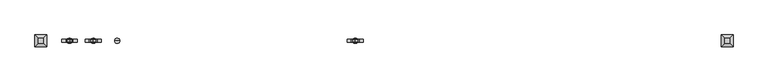
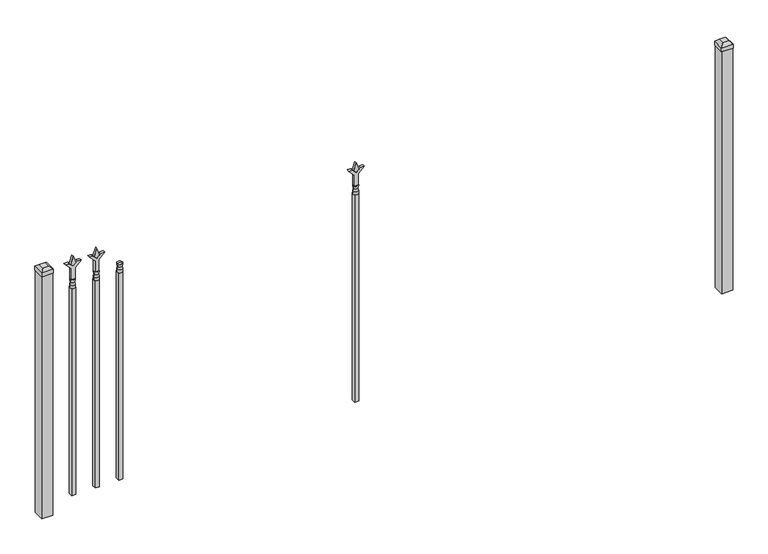
"""IFC4 building model written with IfcOpenShell, lengths in millimetres: railing geometry."""

from ifc_helpers import new_model, si_unit, frame, origin, origin_with_axes, place, context, project, spatial, polyline, circle_curve, outline, extrude, faceted_brep, source, transform, mapped, element, save
from ifc_brep_helpers import plane_surface, cylinder_surface, revolved_surface, advanced_brep


def railing_9b1f82ed(model_context):
    return source(origin(), model_context, "Body", "SolidModel", [
        advanced_brep(
        [(-79271.1035036, -3073.6570174, 1079.5), (-79294.9160036, -3073.6570174, 1079.5), (-79294.9160036, -3073.6570174, 1066.8), (-79271.1035036, -3073.6570174, 1066.8), (-79273.3088355, -3073.6570174, 1092.0070585), (-79292.7106718, -3073.6570174, 1092.0070585), (-79271.1035036, -3073.6570174, 1108.075), (-79294.9160036, -3073.6570174, 1108.075), (-79283.0097536, -3073.6570174, 1108.075), (-79283.0097536, -3073.6570174, 1066.8)],
        [
            (0, 1, circle_curve(frame((-79283.0097536, -3073.6570174, 1079.5), z_axis=(0.0, 0.0, -1.0), x_axis=(-1.0, 0.0, 0.0)), 11.90625)),
            (1, 2),
            (2, 3, circle_curve(frame((-79283.0097536, -3073.6570174, 1066.8), z_axis=(0.0, 0.0, 1.0), x_axis=(-1.0, 0.0, 0.0)), 11.90625)),
            (3, 0),
            (1, 0, circle_curve(frame((-79283.0097536, -3073.6570174, 1079.5), z_axis=(0.0, 0.0, -1.0), x_axis=(-1.0, 0.0, 0.0)), 11.90625)),
            (3, 2, circle_curve(frame((-79283.0097536, -3073.6570174, 1066.8), z_axis=(0.0, 0.0, 1.0), x_axis=(-1.0, 0.0, 0.0)), 11.90625)),
            (4, 5, circle_curve(frame((-79283.0097536, -3073.6570174, 1092.0070585), z_axis=(0.0, 0.0, -1.0), x_axis=(-1.0, 0.0, 0.0)), 9.7009181)),
            (5, 1),
            (0, 4),
            (5, 4, circle_curve(frame((-79283.0097536, -3073.6570174, 1092.0070585), z_axis=(0.0, 0.0, -1.0), x_axis=(-1.0, 0.0, 0.0)), 9.7009181)),
            (6, 7, circle_curve(frame((-79283.0097536, -3073.6570174, 1108.075), z_axis=(0.0, 0.0, -1.0), x_axis=(-1.0, 0.0, 0.0)), 11.90625)),
            (7, 5),
            (4, 6),
            (7, 6, circle_curve(frame((-79283.0097536, -3073.6570174, 1108.075), z_axis=(0.0, 0.0, -1.0), x_axis=(-1.0, 0.0, 0.0)), 11.90625)),
            (8, 7),
            (6, 8),
            (2, 9),
            (9, 3),
        ],
        [
            cylinder_surface(frame((-79283.0097536, -3073.6570174, 1066.8), z_axis=(0.0, 0.0, 1.0), x_axis=(-1.0, 0.0, 0.0)), 11.90625),
            revolved_surface(polyline([(-79294.9160036, -3073.6570174, 1079.5), (-79292.7106718, -3073.6570174, 1092.0070585)]), (-79283.0097536, -3073.6570174, 1066.8), (0.0, 0.0, 1.0)),
            revolved_surface(polyline([(-79292.7106718, -3073.6570174, 1092.0070585), (-79294.9160036, -3073.6570174, 1108.075)]), (-79283.0097536, -3073.6570174, 1066.8), (0.0, 0.0, 1.0)),
            plane_surface(frame((-79283.0097536, -3073.6570174, 1108.075), z_axis=(0.0, 0.0, 1.0), x_axis=(-1.0, 0.0, 0.0))),
            plane_surface(frame((-79283.0097536, -3073.6570174, 1066.8), z_axis=(0.0, 0.0, -1.0), x_axis=(-1.0, 0.0, 0.0))),
        ],
        [
            (0, [[1, 2, 3, 4]]),
            (0, [[5, -4, 6, -2]]),
            (1, [[7, 8, -1, 9]]),
            (1, [[10, -9, -5, -8]]),
            (2, [[11, 12, -7, 13]]),
            (2, [[14, -13, -10, -12]]),
            (3, [[15, -11, 16]]),
            (3, [[-16, -14, -15]]),
            (4, [[-3, 17, 18]]),
            (4, [[-6, -18, -17]]),
        ],
    ),
        extrude(outline(polyline([(-79292.5347536, -3064.1320174), (-79273.4847536, -3064.1320174), (-79273.4847536, -3083.1820174), (-79292.5347536, -3083.1820174), (-79292.5347536, -3064.1320174)])), frame((0.0, 0.0, 50.8), z_axis=(0.0, 0.0, 1.0), x_axis=(1.0, 0.0, 0.0)), (0.0, 0.0, 1.0), 1016.0),
        extrude(outline(polyline([(1183.48125, -79380.3764203), (1219.2, -79392.2826703), (1183.48125, -79404.1889203), (1171.575, -79392.2826703), (1183.48125, -79380.3764203)])), frame((0.0, -3078.4195174, 0.0), z_axis=(0.0, 1.0, 0.0), x_axis=(0.0, 0.0, 1.0)), (0.0, 0.0, 1.0), 9.525),
        extrude(outline(polyline([(1108.075, -79383.5514203), (1162.3457378, -79383.5514203), (1189.5355122, -79356.3616458), (1189.5355122, -79374.3221581), (1171.575, -79392.2826703), (1189.5355122, -79410.2431825), (1189.5355122, -79428.2036948), (1162.3457378, -79401.0139203), (1108.075, -79401.0139203), (1108.075, -79383.5514203)])), frame((0.0, -3080.0070174, 0.0), z_axis=(0.0, 1.0, 0.0), x_axis=(0.0, 0.0, 1.0)), (0.0, 0.0, 1.0), 12.7),
        advanced_brep(
        [(-79380.3764203, -3073.6570174, 1079.5), (-79404.1889203, -3073.6570174, 1079.5), (-79404.1889203, -3073.6570174, 1066.8), (-79380.3764203, -3073.6570174, 1066.8), (-79382.5817522, -3073.6570174, 1092.0070585), (-79401.9835884, -3073.6570174, 1092.0070585), (-79380.3764203, -3073.6570174, 1108.075), (-79404.1889203, -3073.6570174, 1108.075), (-79392.2826703, -3073.6570174, 1108.075), (-79392.2826703, -3073.6570174, 1066.8)],
        [
            (0, 1, circle_curve(frame((-79392.2826703, -3073.6570174, 1079.5), z_axis=(0.0, 0.0, -1.0), x_axis=(-1.0, 0.0, 0.0)), 11.90625)),
            (1, 2),
            (2, 3, circle_curve(frame((-79392.2826703, -3073.6570174, 1066.8), z_axis=(0.0, 0.0, 1.0), x_axis=(-1.0, 0.0, 0.0)), 11.90625)),
            (3, 0),
            (1, 0, circle_curve(frame((-79392.2826703, -3073.6570174, 1079.5), z_axis=(0.0, 0.0, -1.0), x_axis=(-1.0, 0.0, 0.0)), 11.90625)),
            (3, 2, circle_curve(frame((-79392.2826703, -3073.6570174, 1066.8), z_axis=(0.0, 0.0, 1.0), x_axis=(-1.0, 0.0, 0.0)), 11.90625)),
            (4, 5, circle_curve(frame((-79392.2826703, -3073.6570174, 1092.0070585), z_axis=(0.0, 0.0, -1.0), x_axis=(-1.0, 0.0, 0.0)), 9.7009181)),
            (5, 1),
            (0, 4),
            (5, 4, circle_curve(frame((-79392.2826703, -3073.6570174, 1092.0070585), z_axis=(0.0, 0.0, -1.0), x_axis=(-1.0, 0.0, 0.0)), 9.7009181)),
            (6, 7, circle_curve(frame((-79392.2826703, -3073.6570174, 1108.075), z_axis=(0.0, 0.0, -1.0), x_axis=(-1.0, 0.0, 0.0)), 11.90625)),
            (7, 5),
            (4, 6),
            (7, 6, circle_curve(frame((-79392.2826703, -3073.6570174, 1108.075), z_axis=(0.0, 0.0, -1.0), x_axis=(-1.0, 0.0, 0.0)), 11.90625)),
            (8, 7),
            (6, 8),
            (2, 9),
            (9, 3),
        ],
        [
            cylinder_surface(frame((-79392.2826703, -3073.6570174, 1066.8), z_axis=(0.0, 0.0, 1.0), x_axis=(-1.0, 0.0, 0.0)), 11.90625),
            revolved_surface(polyline([(-79404.1889203, -3073.6570174, 1079.5), (-79401.9835884, -3073.6570174, 1092.0070585)]), (-79392.2826703, -3073.6570174, 1066.8), (0.0, 0.0, 1.0)),
            revolved_surface(polyline([(-79401.9835884, -3073.6570174, 1092.0070585), (-79404.1889203, -3073.6570174, 1108.075)]), (-79392.2826703, -3073.6570174, 1066.8), (0.0, 0.0, 1.0)),
            plane_surface(frame((-79392.2826703, -3073.6570174, 1108.075), z_axis=(0.0, 0.0, 1.0), x_axis=(-1.0, 0.0, 0.0))),
            plane_surface(frame((-79392.2826703, -3073.6570174, 1066.8), z_axis=(0.0, 0.0, -1.0), x_axis=(-1.0, 0.0, 0.0))),
        ],
        [
            (0, [[1, 2, 3, 4]]),
            (0, [[5, -4, 6, -2]]),
            (1, [[7, 8, -1, 9]]),
            (1, [[10, -9, -5, -8]]),
            (2, [[11, 12, -7, 13]]),
            (2, [[14, -13, -10, -12]]),
            (3, [[15, -11, 16]]),
            (3, [[-16, -14, -15]]),
            (4, [[-3, 17, 18]]),
            (4, [[-6, -18, -17]]),
        ],
    ),
        extrude(outline(polyline([(-79401.8076703, -3064.1320174), (-79382.7576703, -3064.1320174), (-79382.7576703, -3083.1820174), (-79401.8076703, -3083.1820174), (-79401.8076703, -3064.1320174)])), frame((0.0, 0.0, 50.8), z_axis=(0.0, 0.0, 1.0), x_axis=(1.0, 0.0, 0.0)), (0.0, 0.0, 1.0), 1016.0),
        extrude(outline(polyline([(1183.48125, -78178.374337), (1219.2, -78190.280587), (1183.48125, -78202.186837), (1171.575, -78190.280587), (1183.48125, -78178.374337)])), frame((0.0, -3078.4195174, 0.0), z_axis=(0.0, 1.0, 0.0), x_axis=(0.0, 0.0, 1.0)), (0.0, 0.0, 1.0), 9.525),
        extrude(outline(polyline([(1108.075, -78181.549337), (1162.3457378, -78181.549337), (1189.5355122, -78154.3595625), (1189.5355122, -78172.3200747), (1171.575, -78190.280587), (1189.5355122, -78208.2410992), (1189.5355122, -78226.2016114), (1162.3457378, -78199.011837), (1108.075, -78199.011837), (1108.075, -78181.549337)])), frame((0.0, -3080.0070174, 0.0), z_axis=(0.0, 1.0, 0.0), x_axis=(0.0, 0.0, 1.0)), (0.0, 0.0, 1.0), 12.7),
        advanced_brep(
        [(-78178.374337, -3073.6570174, 1079.5), (-78202.186837, -3073.6570174, 1079.5), (-78202.186837, -3073.6570174, 1066.8), (-78178.374337, -3073.6570174, 1066.8), (-78180.5796688, -3073.6570174, 1092.0070585), (-78199.9815051, -3073.6570174, 1092.0070585), (-78178.374337, -3073.6570174, 1108.075), (-78202.186837, -3073.6570174, 1108.075), (-78190.280587, -3073.6570174, 1108.075), (-78190.280587, -3073.6570174, 1066.8)],
        [
            (0, 1, circle_curve(frame((-78190.280587, -3073.6570174, 1079.5), z_axis=(0.0, 0.0, -1.0), x_axis=(-1.0, 0.0, 0.0)), 11.90625)),
            (1, 2),
            (2, 3, circle_curve(frame((-78190.280587, -3073.6570174, 1066.8), z_axis=(0.0, 0.0, 1.0), x_axis=(-1.0, 0.0, 0.0)), 11.90625)),
            (3, 0),
            (1, 0, circle_curve(frame((-78190.280587, -3073.6570174, 1079.5), z_axis=(0.0, 0.0, -1.0), x_axis=(-1.0, 0.0, 0.0)), 11.90625)),
            (3, 2, circle_curve(frame((-78190.280587, -3073.6570174, 1066.8), z_axis=(0.0, 0.0, 1.0), x_axis=(-1.0, 0.0, 0.0)), 11.90625)),
            (4, 5, circle_curve(frame((-78190.280587, -3073.6570174, 1092.0070585), z_axis=(0.0, 0.0, -1.0), x_axis=(-1.0, 0.0, 0.0)), 9.7009181)),
            (5, 1),
            (0, 4),
            (5, 4, circle_curve(frame((-78190.280587, -3073.6570174, 1092.0070585), z_axis=(0.0, 0.0, -1.0), x_axis=(-1.0, 0.0, 0.0)), 9.7009181)),
            (6, 7, circle_curve(frame((-78190.280587, -3073.6570174, 1108.075), z_axis=(0.0, 0.0, -1.0), x_axis=(-1.0, 0.0, 0.0)), 11.90625)),
            (7, 5),
            (4, 6),
            (7, 6, circle_curve(frame((-78190.280587, -3073.6570174, 1108.075), z_axis=(0.0, 0.0, -1.0), x_axis=(-1.0, 0.0, 0.0)), 11.90625)),
            (8, 7),
            (6, 8),
            (2, 9),
            (9, 3),
        ],
        [
            cylinder_surface(frame((-78190.280587, -3073.6570174, 1066.8), z_axis=(0.0, 0.0, 1.0), x_axis=(-1.0, 0.0, 0.0)), 11.90625),
            revolved_surface(polyline([(-78202.186837, -3073.6570174, 1079.5), (-78199.9815051, -3073.6570174, 1092.0070585)]), (-78190.280587, -3073.6570174, 1066.8), (0.0, 0.0, 1.0)),
            revolved_surface(polyline([(-78199.9815051, -3073.6570174, 1092.0070585), (-78202.186837, -3073.6570174, 1108.075)]), (-78190.280587, -3073.6570174, 1066.8), (0.0, 0.0, 1.0)),
            plane_surface(frame((-78190.280587, -3073.6570174, 1108.075), z_axis=(0.0, 0.0, 1.0), x_axis=(-1.0, 0.0, 0.0))),
            plane_surface(frame((-78190.280587, -3073.6570174, 1066.8), z_axis=(0.0, 0.0, -1.0), x_axis=(-1.0, 0.0, 0.0))),
        ],
        [
            (0, [[1, 2, 3, 4]]),
            (0, [[5, -4, 6, -2]]),
            (1, [[7, 8, -1, 9]]),
            (1, [[10, -9, -5, -8]]),
            (2, [[11, 12, -7, 13]]),
            (2, [[14, -13, -10, -12]]),
            (3, [[15, -11, 16]]),
            (3, [[-16, -14, -15]]),
            (4, [[-3, 17, 18]]),
            (4, [[-6, -18, -17]]),
        ],
    ),
        extrude(outline(polyline([(-78199.805587, -3064.1320174), (-78180.755587, -3064.1320174), (-78180.755587, -3083.1820174), (-78199.805587, -3083.1820174), (-78199.805587, -3064.1320174)])), frame((0.0, 0.0, 50.8), z_axis=(0.0, 0.0, 1.0), x_axis=(1.0, 0.0, 0.0)), (0.0, 0.0, 1.0), 1016.0),
        extrude(outline(polyline([(1183.48125, -79489.649337), (1219.2, -79501.555587), (1183.48125, -79513.461837), (1171.575, -79501.555587), (1183.48125, -79489.649337)])), frame((0.0, -3078.4195174, 0.0), z_axis=(0.0, 1.0, 0.0), x_axis=(0.0, 0.0, 1.0)), (0.0, 0.0, 1.0), 9.525),
        extrude(outline(polyline([(1108.075, -79492.824337), (1162.3457378, -79492.824337), (1189.5355122, -79465.6345625), (1189.5355122, -79483.5950747), (1171.575, -79501.555587), (1189.5355122, -79519.5160992), (1189.5355122, -79537.4766114), (1162.3457378, -79510.286837), (1108.075, -79510.286837), (1108.075, -79492.824337)])), frame((0.0, -3080.0070174, 0.0), z_axis=(0.0, 1.0, 0.0), x_axis=(0.0, 0.0, 1.0)), (0.0, 0.0, 1.0), 12.7),
        advanced_brep(
        [(-79489.649337, -3073.6570174, 1079.5), (-79513.461837, -3073.6570174, 1079.5), (-79513.461837, -3073.6570174, 1066.8), (-79489.649337, -3073.6570174, 1066.8), (-79491.8546688, -3073.6570174, 1092.0070585), (-79511.2565051, -3073.6570174, 1092.0070585), (-79489.649337, -3073.6570174, 1108.075), (-79513.461837, -3073.6570174, 1108.075), (-79501.555587, -3073.6570174, 1108.075), (-79501.555587, -3073.6570174, 1066.8)],
        [
            (0, 1, circle_curve(frame((-79501.555587, -3073.6570174, 1079.5), z_axis=(0.0, 0.0, -1.0), x_axis=(-1.0, 0.0, 0.0)), 11.90625)),
            (1, 2),
            (2, 3, circle_curve(frame((-79501.555587, -3073.6570174, 1066.8), z_axis=(0.0, 0.0, 1.0), x_axis=(-1.0, 0.0, 0.0)), 11.90625)),
            (3, 0),
            (1, 0, circle_curve(frame((-79501.555587, -3073.6570174, 1079.5), z_axis=(0.0, 0.0, -1.0), x_axis=(-1.0, 0.0, 0.0)), 11.90625)),
            (3, 2, circle_curve(frame((-79501.555587, -3073.6570174, 1066.8), z_axis=(0.0, 0.0, 1.0), x_axis=(-1.0, 0.0, 0.0)), 11.90625)),
            (4, 5, circle_curve(frame((-79501.555587, -3073.6570174, 1092.0070585), z_axis=(0.0, 0.0, -1.0), x_axis=(-1.0, 0.0, 0.0)), 9.7009181)),
            (5, 1),
            (0, 4),
            (5, 4, circle_curve(frame((-79501.555587, -3073.6570174, 1092.0070585), z_axis=(0.0, 0.0, -1.0), x_axis=(-1.0, 0.0, 0.0)), 9.7009181)),
            (6, 7, circle_curve(frame((-79501.555587, -3073.6570174, 1108.075), z_axis=(0.0, 0.0, -1.0), x_axis=(-1.0, 0.0, 0.0)), 11.90625)),
            (7, 5),
            (4, 6),
            (7, 6, circle_curve(frame((-79501.555587, -3073.6570174, 1108.075), z_axis=(0.0, 0.0, -1.0), x_axis=(-1.0, 0.0, 0.0)), 11.90625)),
            (8, 7),
            (6, 8),
            (2, 9),
            (9, 3),
        ],
        [
            cylinder_surface(frame((-79501.555587, -3073.6570174, 1066.8), z_axis=(0.0, 0.0, 1.0), x_axis=(-1.0, 0.0, 0.0)), 11.90625),
            revolved_surface(polyline([(-79513.461837, -3073.6570174, 1079.5), (-79511.2565051, -3073.6570174, 1092.0070585)]), (-79501.555587, -3073.6570174, 1066.8), (0.0, 0.0, 1.0)),
            revolved_surface(polyline([(-79511.2565051, -3073.6570174, 1092.0070585), (-79513.461837, -3073.6570174, 1108.075)]), (-79501.555587, -3073.6570174, 1066.8), (0.0, 0.0, 1.0)),
            plane_surface(frame((-79501.555587, -3073.6570174, 1108.075), z_axis=(0.0, 0.0, 1.0), x_axis=(-1.0, 0.0, 0.0))),
            plane_surface(frame((-79501.555587, -3073.6570174, 1066.8), z_axis=(0.0, 0.0, -1.0), x_axis=(-1.0, 0.0, 0.0))),
        ],
        [
            (0, [[1, 2, 3, 4]]),
            (0, [[5, -4, 6, -2]]),
            (1, [[7, 8, -1, 9]]),
            (1, [[10, -9, -5, -8]]),
            (2, [[11, 12, -7, 13]]),
            (2, [[14, -13, -10, -12]]),
            (3, [[15, -11, 16]]),
            (3, [[-16, -14, -15]]),
            (4, [[-3, 17, 18]]),
            (4, [[-6, -18, -17]]),
        ],
    ),
        extrude(outline(polyline([(-79511.080587, -3064.1320174), (-79492.030587, -3064.1320174), (-79492.030587, -3083.1820174), (-79511.080587, -3083.1820174), (-79511.080587, -3064.1320174)])), frame((0.0, 0.0, 50.8), z_axis=(0.0, 0.0, 1.0), x_axis=(1.0, 0.0, 0.0)), (0.0, 0.0, 1.0), 1016.0),
        extrude(outline(polyline([(-76458.318087, -3048.2570174), (-76458.318087, -3099.0570174), (-76509.118087, -3099.0570174), (-76509.118087, -3048.2570174), (-76458.318087, -3048.2570174)])), origin_with_axes(), (0.0, 0.0, 1.0), 1187.45),
        faceted_brep([(-76510.705587, -3046.6695174, 1206.5), (-76510.705587, -3046.6695174, 1187.45), (-76510.705587, -3100.6445174, 1187.45), (-76510.705587, -3100.6445174, 1206.5), (-76498.005587, -3059.3695174, 1219.2), (-76498.005587, -3087.9445174, 1219.2), (-76456.730587, -3100.6445174, 1187.45), (-76456.730587, -3100.6445174, 1206.5), (-76469.430587, -3087.9445174, 1219.2), (-76456.730587, -3046.6695174, 1187.45), (-76456.730587, -3046.6695174, 1206.5), (-76469.430587, -3059.3695174, 1219.2)], [[[0, 1, 2, 3]], [[4, 0, 3, 5]], [[3, 2, 6, 7]], [[5, 3, 7, 8]], [[7, 6, 9, 10]], [[8, 7, 10, 11]], [[10, 9, 1, 0]], [[11, 10, 0, 4]], [[5, 8, 11, 4]], [[1, 9, 6, 2]]]),
        extrude(outline(polyline([(-79607.918087, -3048.2570174), (-79607.918087, -3099.0570174), (-79658.718087, -3099.0570174), (-79658.718087, -3048.2570174), (-79607.918087, -3048.2570174)])), origin_with_axes(), (0.0, 0.0, 1.0), 1187.45),
        faceted_brep([(-79660.305587, -3046.6695174, 1206.5), (-79660.305587, -3046.6695174, 1187.45), (-79660.305587, -3100.6445174, 1187.45), (-79660.305587, -3100.6445174, 1206.5), (-79647.605587, -3059.3695174, 1219.2), (-79647.605587, -3087.9445174, 1219.2), (-79606.330587, -3100.6445174, 1187.45), (-79606.330587, -3100.6445174, 1206.5), (-79619.030587, -3087.9445174, 1219.2), (-79606.330587, -3046.6695174, 1187.45), (-79606.330587, -3046.6695174, 1206.5), (-79619.030587, -3059.3695174, 1219.2)], [[[0, 1, 2, 3]], [[4, 0, 3, 5]], [[3, 2, 6, 7]], [[5, 3, 7, 8]], [[7, 6, 9, 10]], [[8, 7, 10, 11]], [[10, 9, 1, 0]], [[11, 10, 0, 4]], [[5, 8, 11, 4]], [[1, 9, 6, 2]]]),
    ])


if __name__ == "__main__":
    model = new_model("IFC4")
    model_context = context("Model", 3, world=origin())
    ifc_project = project(units=[si_unit("LENGTHUNIT", "METRE", prefix="MILLI")], contexts=[model_context])
    site = spatial("IfcSite", under=ifc_project)
    building = spatial("IfcBuilding", under=site)
    placement = place(None, origin())
    railing_shape = railing_9b1f82ed(model_context)
    element("IfcRailing", 1, at=placement, inside=building, context=model_context, shape_type="MappedRepresentation", body=[
        mapped(railing_shape, transform((0.0, 0.0, 0.0), x_axis=(1.0, 0.0, 0.0), y_axis=(0.0, 1.0, 0.0), z_axis=(0.0, 0.0, 1.0))),
    ])
    save(model, "model.ifc")
